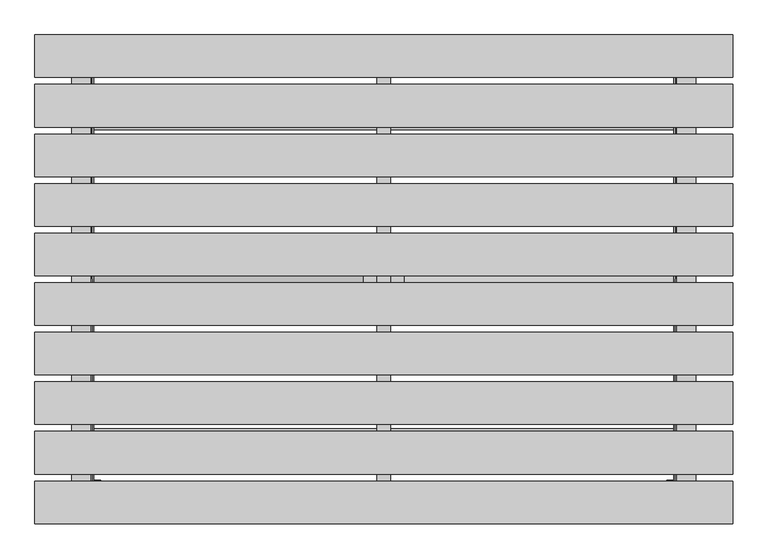
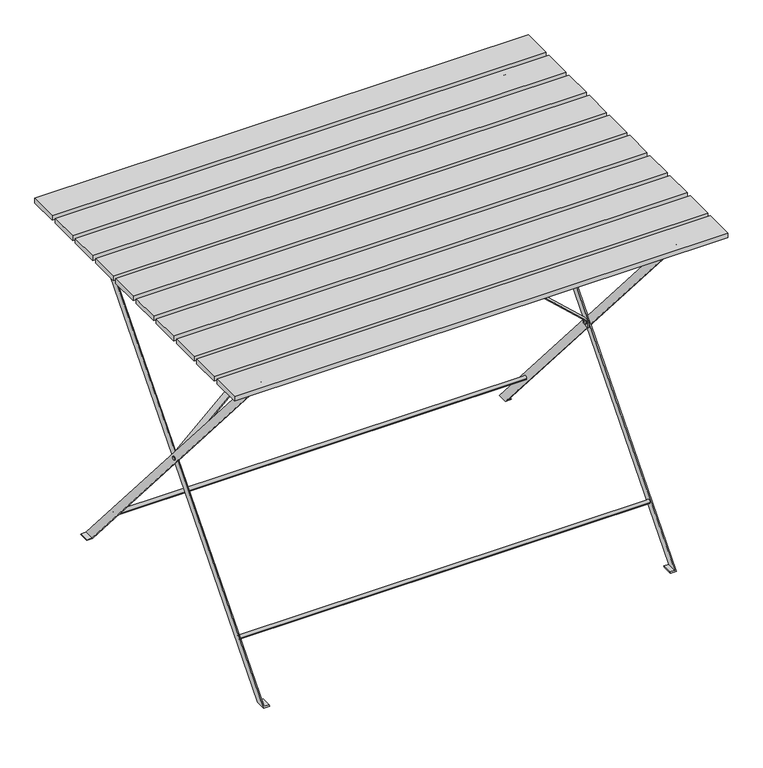
"""IFC4 building model written with IfcOpenShell, lengths in millimetres: furniture geometry."""

from ifc_helpers import new_model, si_unit, frame, origin, place, context, project, spatial, polyline, circle_curve, outline, extrude, source, transform, mapped, element, save
from ifc_brep_helpers import plane_surface, cylinder_surface, advanced_brep


def furniture_ef8ecb68(model_context):
    return source(origin(), model_context, "Body", "SolidModel", [
        extrude(outline(polyline([(500.0, -289.0), (500.0, -350.0), (-500.0, -350.0), (-500.0, -289.0), (500.0, -289.0)])), frame((0.0, 0.0, 710.0), z_axis=(0.0, 0.0, 1.0), x_axis=(1.0, 0.0, 0.0)), (0.0, 0.0, 1.0), 10.0),
        extrude(outline(polyline([(500.0, -218.0), (500.0, -279.0), (-500.0, -279.0), (-500.0, -218.0), (500.0, -218.0)])), frame((0.0, 0.0, 710.0), z_axis=(0.0, 0.0, 1.0), x_axis=(1.0, 0.0, 0.0)), (0.0, 0.0, 1.0), 10.0),
        extrude(outline(polyline([(500.0, -147.0), (500.0, -208.0), (-500.0, -208.0), (-500.0, -147.0), (500.0, -147.0)])), frame((0.0, 0.0, 710.0), z_axis=(0.0, 0.0, 1.0), x_axis=(1.0, 0.0, 0.0)), (0.0, 0.0, 1.0), 10.0),
        extrude(outline(polyline([(500.0, -76.0), (500.0, -137.0), (-500.0, -137.0), (-500.0, -76.0), (500.0, -76.0)])), frame((0.0, 0.0, 710.0), z_axis=(0.0, 0.0, 1.0), x_axis=(1.0, 0.0, 0.0)), (0.0, 0.0, 1.0), 10.0),
        extrude(outline(polyline([(500.0, -5.0), (500.0, -66.0), (-500.0, -66.0), (-500.0, -5.0), (500.0, -5.0)])), frame((0.0, 0.0, 710.0), z_axis=(0.0, 0.0, 1.0), x_axis=(1.0, 0.0, 0.0)), (0.0, 0.0, 1.0), 10.0),
        extrude(outline(polyline([(500.0, 66.0), (500.0, 5.0), (-500.0, 5.0), (-500.0, 66.0), (500.0, 66.0)])), frame((0.0, 0.0, 710.0), z_axis=(0.0, 0.0, 1.0), x_axis=(1.0, 0.0, 0.0)), (0.0, 0.0, 1.0), 10.0),
        extrude(outline(polyline([(500.0, 137.0), (500.0, 76.0), (-500.0, 76.0), (-500.0, 137.0), (500.0, 137.0)])), frame((0.0, 0.0, 710.0), z_axis=(0.0, 0.0, 1.0), x_axis=(1.0, 0.0, 0.0)), (0.0, 0.0, 1.0), 10.0),
        extrude(outline(polyline([(500.0, 208.0), (500.0, 147.0), (-500.0, 147.0), (-500.0, 208.0), (500.0, 208.0)])), frame((0.0, 0.0, 710.0), z_axis=(0.0, 0.0, 1.0), x_axis=(1.0, 0.0, 0.0)), (0.0, 0.0, 1.0), 10.0),
        extrude(outline(polyline([(500.0, 279.0), (500.0, 218.0), (-500.0, 218.0), (-500.0, 279.0), (500.0, 279.0)])), frame((0.0, 0.0, 710.0), z_axis=(0.0, 0.0, 1.0), x_axis=(1.0, 0.0, 0.0)), (0.0, 0.0, 1.0), 10.0),
        extrude(outline(polyline([(500.0, 350.0), (500.0, 289.0), (-500.0, 289.0), (-500.0, 350.0), (500.0, 350.0)])), frame((0.0, 0.0, 710.0), z_axis=(0.0, 0.0, 1.0), x_axis=(1.0, 0.0, 0.0)), (0.0, 0.0, 1.0), 10.0),
        advanced_brep(
        [(413.0, 3.5, 347.7584997), (413.0, -3.5, 347.7584997), (421.0, 3.5, 347.7584997), (421.0, -3.5, 347.7584997), (414.0182789, -3.5, 347.7584997), (414.0182789, 3.5, 347.7584997), (420.0, 3.5, 347.7584997), (420.0, -3.5, 347.7584997), (418.0, -306.0574859, 690.2914024), (418.0, -293.9425141, 700.7425964), (418.0, 0.0, 360.0059041), (418.0, -10.5654393, 347.7584997), (418.0, -296.5, 695.5169994), (418.0, -303.5, 695.5169994), (418.0, 310.5654393, 0.0), (418.0, 289.4345607, 0.0), (418.0, 0.0, 335.5110953), (418.0, 10.5654393, 347.7584997), (418.0, 222.2264292, 94.774403), (418.0, 214.255952, 94.774403), (420.0, -278.6512153, 683.0169994), (420.0, -299.782094, 683.0169994), (420.0, 287.7092254, 2.0), (420.0, 308.8401041, 2.0), (430.0, 289.4345607, 0.0), (430.0, 287.7092254, 2.0), (420.0, -306.0574859, 690.2914024), (430.0, 310.5654393, 0.0), (420.0, -293.9425141, 700.7425964), (430.0, 308.8401041, 2.0), (416.0, 293.9425141, 700.7425964), (416.0, 306.0574859, 690.2914024), (416.0, 8.0, 344.7846553), (416.0, 8.0, 352.7584997), (416.0, -6.2521012, 352.7584997), (416.0, 303.5, 695.5169994), (416.0, 296.5, 695.5169994), (416.0, -8.0, 350.7323441), (416.0, -8.0, 339.7584997), (416.0, 3.6640983, 339.7584997), (416.0, -287.7092254, 2.0), (416.0, -308.8401041, 2.0), (416.0, -214.255952, 94.774403), (416.0, -222.2264292, 94.774403), (418.0, 306.0574859, 690.2914024), (418.0, 293.9425141, 700.7425964), (418.0, 296.5, 695.5169994), (418.0, 303.5, 695.5169994), (418.0, -310.5654393, 0.0), (418.0, -289.4345607, 0.0), (406.0, -289.4345607, 0.0), (406.0, -287.7092254, 2.0), (406.0, -308.8401041, 2.0), (406.0, -310.5654393, 0.0), (-418.0, 289.4345607, 0.0), (-418.0, 310.5654393, 0.0), (-418.0, 10.5654393, 347.7584997), (-418.0, 0.0, 335.5110953), (-418.0, 214.255952, 94.774403), (-418.0, 222.2264292, 94.774403), (-418.0, -293.9425141, 700.7425964), (-418.0, -306.0574859, 690.2914024), (-418.0, -10.5654393, 347.7584997), (-418.0, 0.0, 360.0059041), (-418.0, -303.5, 695.5169994), (-418.0, -296.5, 695.5169994), (-420.0, -299.782094, 683.0169994), (-420.0, -278.6512153, 683.0169994), (-420.0, 308.8401041, 2.0), (-420.0, 287.7092254, 2.0), (-420.0, 3.5, 347.7584997), (-420.0, -3.5, 347.7584997), (-420.0, -306.0574859, 690.2914024), (-430.0, 287.7092254, 2.0), (-430.0, 289.4345607, 0.0), (-430.0, 310.5654393, 0.0), (-420.0, -293.9425141, 700.7425964), (-430.0, 308.8401041, 2.0), (-416.0, 306.0574859, 690.2914024), (-416.0, 293.9425141, 700.7425964), (-416.0, -6.2521012, 352.7584997), (-416.0, 8.0, 352.7584997), (-416.0, 8.0, 344.7846553), (-416.0, 296.5, 695.5169994), (-416.0, 303.5, 695.5169994), (-416.0, -8.0, 339.7584997), (-416.0, -8.0, 350.7323441), (-416.0, -308.8401041, 2.0), (-416.0, -287.7092254, 2.0), (-416.0, 3.6640983, 339.7584997), (-416.0, -222.2264292, 94.774403), (-416.0, -214.255952, 94.774403), (-418.0, -289.4345607, 0.0), (-418.0, -310.5654393, 0.0), (-418.0, 293.9425141, 700.7425964), (-418.0, 306.0574859, 690.2914024), (-418.0, 303.5, 695.5169994), (-418.0, 296.5, 695.5169994), (-406.0, -287.7092254, 2.0), (-406.0, -289.4345607, 0.0), (-406.0, -310.5654393, 0.0), (-406.0, -308.8401041, 2.0), (-30.0, -8.0, 708.0169994), (-416.0, -8.0, 352.7584997), (-414.0182789, -8.0, 339.7584997), (-414.0182789, -8.0, 351.917847), (-29.2779477, -8.0, 706.0169994), (29.2779477, -8.0, 706.0169994), (414.0182789, -8.0, 351.917847), (414.0182789, -8.0, 339.7584997), (416.0, -8.0, 352.7584997), (30.0, -8.0, 708.0169994), (10.0, -8.0, 708.0169994), (-10.0, -8.0, 708.0169994), (30.0, 8.0, 708.0169994), (416.0, 8.0, 339.7584997), (414.0182789, 8.0, 339.7584997), (414.0182789, 8.0, 351.917847), (29.2779477, 8.0, 706.0169994), (-29.2779477, 8.0, 706.0169994), (-414.0182789, 8.0, 351.917847), (-414.0182789, 8.0, 339.7584997), (-416.0, 8.0, 339.7584997), (-30.0, 8.0, 708.0169994), (-10.0, 8.0, 708.0169994), (10.0, 8.0, 708.0169994), (-414.0182789, -3.5, 347.7584997), (-414.0182789, 3.5, 347.7584997), (-3.5, 0.0, 706.0169994), (3.5, 0.0, 706.0169994), (-413.0, 3.5, 347.7584997), (-413.0, -3.5, 347.7584997), (-421.0, 3.5, 347.7584997), (-421.0, -3.5, 347.7584997), (-417.0, -296.5, 695.5169994), (-417.0, -303.5, 695.5169994), (-423.0, -296.5, 695.5169994), (-423.0, -303.5, 695.5169994), (-421.9538018, -303.5, 695.5169994), (-421.9538018, -296.5, 695.5169994), (-446.9538018, -330.0, 710.0), (-446.9538018, -330.0, 708.0169994), (-421.9538018, -330.0, 708.0169994), (-420.0, -330.0, 708.0169994), (-420.0, -330.0, 710.0), (446.9538018, -330.0, 710.0), (420.0, -330.0, 710.0), (420.0, -330.0, 708.0169994), (421.9538018, -330.0, 708.0169994), (446.9538018, -330.0, 708.0169994), (10.0, -330.0, 710.0), (-10.0, -330.0, 710.0), (-10.0, -330.0, 708.0169994), (10.0, -330.0, 708.0169994), (-446.9538018, 330.0, 710.0), (-420.0, 330.0, 710.0), (-420.0, 330.0, 708.0169994), (-421.9538018, 330.0, 708.0169994), (-446.9538018, 330.0, 708.0169994), (446.9538018, 330.0, 710.0), (446.9538018, 330.0, 708.0169994), (421.9538018, 330.0, 708.0169994), (420.0, 330.0, 708.0169994), (420.0, 330.0, 710.0), (10.0, 330.0, 710.0), (10.0, 330.0, 708.0169994), (-10.0, 330.0, 708.0169994), (-10.0, 330.0, 710.0), (-421.9538018, 305.0, 683.0169994), (-421.9538018, -305.0, 683.0169994), (-421.9538018, 303.5, 695.5169994), (-421.9538018, 296.5, 695.5169994), (-420.0, 305.0, 683.0169994), (-420.0, -305.0, 683.0169994), (-420.0, 296.5, 695.5169994), (-420.0, 303.5, 695.5169994), (420.0, 305.0, 683.0169994), (420.0, -305.0, 683.0169994), (420.0, 303.5, 695.5169994), (420.0, 296.5, 695.5169994), (421.9538018, 305.0, 683.0169994), (421.9538018, -305.0, 683.0169994), (421.9538018, -303.5, 695.5169994), (421.9538018, -296.5, 695.5169994), (421.9538018, 296.5, 695.5169994), (421.9538018, 303.5, 695.5169994), (417.0, -296.5, 695.5169994), (417.0, -303.5, 695.5169994), (423.0, -296.5, 695.5169994), (423.0, -303.5, 695.5169994), (415.0, 303.5, 695.5169994), (415.0, 296.5, 695.5169994), (423.0, 303.5, 695.5169994), (423.0, 296.5, 695.5169994), (-415.0, 303.5, 695.5169994), (-415.0, 296.5, 695.5169994), (-423.0, 303.5, 695.5169994), (-423.0, 296.5, 695.5169994), (-3.5, 0.0, 705.0), (3.5, 0.0, 705.0)],
        [
            (0, 1, circle_curve(frame((413.0, 0.0, 347.7584997), z_axis=(-1.0, 0.0, 0.0), x_axis=(0.0, -1.0, 0.0)), 3.5)),
            (1, 0, circle_curve(frame((413.0, 0.0, 347.7584997), z_axis=(-1.0, 0.0, 0.0), x_axis=(0.0, -1.0, 0.0)), 3.5)),
            (2, 3, circle_curve(frame((421.0, 0.0, 347.7584997), z_axis=(1.0, 0.0, 0.0), x_axis=(0.0, -1.0, 0.0)), 3.5)),
            (3, 2, circle_curve(frame((421.0, 0.0, 347.7584997), z_axis=(1.0, 0.0, 0.0), x_axis=(0.0, -1.0, 0.0)), 3.5)),
            (1, 4),
            (4, 5, circle_curve(frame((414.0182789, 0.0, 347.7584997), z_axis=(-1.0, 0.0, 0.0), x_axis=(0.0, -1.0, 0.0)), 3.5)),
            (5, 0),
            (2, 6),
            (6, 7, circle_curve(frame((420.0, 0.0, 347.7584997), z_axis=(1.0, 0.0, 0.0), x_axis=(0.0, -1.0, 0.0)), 3.5)),
            (7, 3),
            (5, 4, circle_curve(frame((414.0182789, 0.0, 347.7584997), z_axis=(-1.0, 0.0, 0.0), x_axis=(0.0, -1.0, 0.0)), 3.5)),
            (7, 6, circle_curve(frame((420.0, 0.0, 347.7584997), z_axis=(1.0, 0.0, 0.0), x_axis=(0.0, -1.0, 0.0)), 3.5)),
            (8, 9, circle_curve(frame((418.0, -300.0, 695.5169994), z_axis=(-1.0, 0.0, 0.0), x_axis=(0.0, -1.0, 0.0)), 8.0)),
            (9, 10),
            (10, 11),
            (11, 8),
            (12, 13, circle_curve(frame((418.0, -300.0, 695.5169994), z_axis=(1.0, 0.0, 0.0), x_axis=(0.0, -1.0, 0.0)), 3.5)),
            (13, 12, circle_curve(frame((418.0, -300.0, 695.5169994), z_axis=(1.0, 0.0, 0.0), x_axis=(0.0, -1.0, 0.0)), 3.5)),
            (14, 15),
            (15, 16),
            (16, 17),
            (17, 14),
            (18, 19, circle_curve(frame((418.0, 218.2411906, 94.774403), z_axis=(1.0, 0.0, 0.0), x_axis=(0.0, -1.0, 0.0)), 3.9852386)),
            (19, 18, circle_curve(frame((418.0, 218.2411906, 94.774403), z_axis=(1.0, 0.0, 0.0), x_axis=(0.0, -1.0, 0.0)), 3.9852386)),
            (20, 21),
            (21, 22),
            (22, 23),
            (23, 20),
            (24, 25),
            (25, 22),
            (21, 26),
            (26, 8),
            (11, 16),
            (15, 24),
            (14, 27),
            (27, 24),
            (17, 10),
            (9, 28),
            (28, 20),
            (23, 29),
            (29, 27),
            (26, 28, circle_curve(frame((420.0, -300.0, 695.5169994), z_axis=(-1.0, 0.0, 0.0), x_axis=(0.0, -1.0, 0.0)), 8.0)),
            (30, 31, circle_curve(frame((416.0, 300.0, 695.5169994), z_axis=(-1.0, 0.0, 0.0), x_axis=(0.0, -1.0, 0.0)), 8.0)),
            (31, 32),
            (32, 33),
            (33, 34),
            (34, 30),
            (35, 36, circle_curve(frame((416.0, 300.0, 695.5169994), z_axis=(1.0, 0.0, 0.0), x_axis=(0.0, -1.0, 0.0)), 3.5)),
            (36, 35, circle_curve(frame((416.0, 300.0, 695.5169994), z_axis=(1.0, 0.0, 0.0), x_axis=(0.0, -1.0, 0.0)), 3.5)),
            (37, 38),
            (38, 39),
            (39, 40),
            (40, 41),
            (41, 37),
            (42, 43, circle_curve(frame((416.0, -218.2411906, 94.774403), z_axis=(1.0, 0.0, 0.0), x_axis=(0.0, 1.0, 0.0)), 3.9852386)),
            (43, 42, circle_curve(frame((416.0, -218.2411906, 94.774403), z_axis=(1.0, 0.0, 0.0), x_axis=(0.0, 1.0, 0.0)), 3.9852386)),
            (44, 45, circle_curve(frame((418.0, 300.0, 695.5169994), z_axis=(1.0, 0.0, 0.0), x_axis=(0.0, -1.0, 0.0)), 8.0)),
            (45, 10),
            (17, 44),
            (46, 47, circle_curve(frame((418.0, 300.0, 695.5169994), z_axis=(-1.0, 0.0, 0.0), x_axis=(0.0, -1.0, 0.0)), 3.5)),
            (47, 46, circle_curve(frame((418.0, 300.0, 695.5169994), z_axis=(-1.0, 0.0, 0.0), x_axis=(0.0, -1.0, 0.0)), 3.5)),
            (48, 49),
            (49, 16),
            (11, 48),
            (31, 44),
            (49, 50),
            (50, 51),
            (51, 40),
            (39, 32),
            (30, 45),
            (34, 37),
            (41, 52),
            (52, 53),
            (53, 48),
            (53, 50),
            (54, 55),
            (55, 56),
            (56, 57),
            (57, 54),
            (58, 59, circle_curve(frame((-418.0, 218.2411906, 94.774403), z_axis=(-1.0, 0.0, 0.0), x_axis=(0.0, -1.0, 0.0)), 3.9852386)),
            (59, 58, circle_curve(frame((-418.0, 218.2411906, 94.774403), z_axis=(-1.0, 0.0, 0.0), x_axis=(0.0, -1.0, 0.0)), 3.9852386)),
            (60, 61, circle_curve(frame((-418.0, -300.0, 695.5169994), z_axis=(1.0, 0.0, 0.0), x_axis=(0.0, -1.0, 0.0)), 8.0)),
            (61, 62),
            (62, 63),
            (63, 60),
            (64, 65, circle_curve(frame((-418.0, -300.0, 695.5169994), z_axis=(-1.0, 0.0, 0.0), x_axis=(0.0, -1.0, 0.0)), 3.5)),
            (65, 64, circle_curve(frame((-418.0, -300.0, 695.5169994), z_axis=(-1.0, 0.0, 0.0), x_axis=(0.0, -1.0, 0.0)), 3.5)),
            (66, 67),
            (67, 68),
            (68, 69),
            (69, 66),
            (70, 71, circle_curve(frame((-420.0, 0.0, 347.7584997), z_axis=(1.0, 0.0, 0.0), x_axis=(0.0, -1.0, 0.0)), 3.5)),
            (71, 70, circle_curve(frame((-420.0, 0.0, 347.7584997), z_axis=(1.0, 0.0, 0.0), x_axis=(0.0, -1.0, 0.0)), 3.5)),
            (61, 72),
            (72, 66),
            (69, 73),
            (73, 74),
            (74, 54),
            (57, 62),
            (74, 75),
            (75, 55),
            (76, 60),
            (63, 56),
            (75, 77),
            (77, 68),
            (67, 76),
            (76, 72, circle_curve(frame((-420.0, -300.0, 695.5169994), z_axis=(1.0, 0.0, 0.0), x_axis=(0.0, -1.0, 0.0)), 8.0)),
            (78, 79, circle_curve(frame((-416.0, 300.0, 695.5169994), z_axis=(1.0, 0.0, 0.0), x_axis=(0.0, -1.0, 0.0)), 8.0)),
            (79, 80),
            (80, 81),
            (81, 82),
            (82, 78),
            (83, 84, circle_curve(frame((-416.0, 300.0, 695.5169994), z_axis=(-1.0, 0.0, 0.0), x_axis=(0.0, -1.0, 0.0)), 3.5)),
            (84, 83, circle_curve(frame((-416.0, 300.0, 695.5169994), z_axis=(-1.0, 0.0, 0.0), x_axis=(0.0, -1.0, 0.0)), 3.5)),
            (85, 86),
            (86, 87),
            (87, 88),
            (88, 89),
            (89, 85),
            (90, 91, circle_curve(frame((-416.0, -218.2411906, 94.774403), z_axis=(-1.0, 0.0, 0.0), x_axis=(0.0, 1.0, 0.0)), 3.9852386)),
            (91, 90, circle_curve(frame((-416.0, -218.2411906, 94.774403), z_axis=(-1.0, 0.0, 0.0), x_axis=(0.0, 1.0, 0.0)), 3.9852386)),
            (92, 93),
            (93, 62),
            (57, 92),
            (94, 95, circle_curve(frame((-418.0, 300.0, 695.5169994), z_axis=(-1.0, 0.0, 0.0), x_axis=(0.0, -1.0, 0.0)), 8.0)),
            (95, 56),
            (63, 94),
            (96, 97, circle_curve(frame((-418.0, 300.0, 695.5169994), z_axis=(1.0, 0.0, 0.0), x_axis=(0.0, -1.0, 0.0)), 3.5)),
            (97, 96, circle_curve(frame((-418.0, 300.0, 695.5169994), z_axis=(1.0, 0.0, 0.0), x_axis=(0.0, -1.0, 0.0)), 3.5)),
            (95, 78),
            (82, 89),
            (88, 98),
            (98, 99),
            (99, 92),
            (94, 79),
            (93, 100),
            (100, 101),
            (101, 87),
            (86, 80),
            (99, 100),
            (102, 103),
            (103, 86),
            (85, 104),
            (104, 105),
            (105, 106),
            (106, 107),
            (107, 108),
            (108, 109),
            (109, 38),
            (37, 110),
            (110, 111),
            (111, 112),
            (112, 113),
            (113, 102),
            (114, 33),
            (32, 115),
            (115, 116),
            (116, 117),
            (117, 118),
            (118, 119),
            (119, 120),
            (120, 121),
            (121, 122),
            (122, 82),
            (81, 123),
            (123, 124),
            (124, 125),
            (125, 114),
            (102, 123),
            (80, 103),
            (122, 89),
            (121, 104),
            (120, 105),
            (126, 127, circle_curve(frame((-414.0182789, 0.0, 347.7584997), z_axis=(-1.0, 0.0, 0.0), x_axis=(0.0, -1.0, 0.0)), 3.5)),
            (127, 126, circle_curve(frame((-414.0182789, 0.0, 347.7584997), z_axis=(-1.0, 0.0, 0.0), x_axis=(0.0, -1.0, 0.0)), 3.5)),
            (119, 106),
            (118, 107),
            (128, 129, circle_curve(frame((0.0, 0.0, 706.0169994), z_axis=(0.0, 0.0, 1.0), x_axis=(1.0, 0.0, 0.0)), 3.5)),
            (129, 128, circle_curve(frame((0.0, 0.0, 706.0169994), z_axis=(0.0, 0.0, 1.0), x_axis=(1.0, 0.0, 0.0)), 3.5)),
            (117, 108),
            (116, 109),
            (115, 39),
            (34, 110),
            (114, 111),
            (113, 124),
            (125, 112),
            (130, 131, circle_curve(frame((-413.0, 0.0, 347.7584997), z_axis=(1.0, 0.0, 0.0), x_axis=(0.0, -1.0, 0.0)), 3.5)),
            (131, 130, circle_curve(frame((-413.0, 0.0, 347.7584997), z_axis=(1.0, 0.0, 0.0), x_axis=(0.0, -1.0, 0.0)), 3.5)),
            (132, 133, circle_curve(frame((-421.0, 0.0, 347.7584997), z_axis=(-1.0, 0.0, 0.0), x_axis=(0.0, -1.0, 0.0)), 3.5)),
            (133, 132, circle_curve(frame((-421.0, 0.0, 347.7584997), z_axis=(-1.0, 0.0, 0.0), x_axis=(0.0, -1.0, 0.0)), 3.5)),
            (130, 127),
            (126, 131),
            (133, 71),
            (70, 132),
            (134, 135, circle_curve(frame((-417.0, -300.0, 695.5169994), z_axis=(1.0, 0.0, 0.0), x_axis=(0.0, -1.0, 0.0)), 3.5)),
            (135, 134, circle_curve(frame((-417.0, -300.0, 695.5169994), z_axis=(1.0, 0.0, 0.0), x_axis=(0.0, -1.0, 0.0)), 3.5)),
            (136, 137, circle_curve(frame((-423.0, -300.0, 695.5169994), z_axis=(-1.0, 0.0, 0.0), x_axis=(0.0, -1.0, 0.0)), 3.5)),
            (137, 136, circle_curve(frame((-423.0, -300.0, 695.5169994), z_axis=(-1.0, 0.0, 0.0), x_axis=(0.0, -1.0, 0.0)), 3.5)),
            (134, 65),
            (64, 135),
            (137, 138),
            (138, 139, circle_curve(frame((-421.9538018, -300.0, 695.5169994), z_axis=(-1.0, 0.0, 0.0), x_axis=(0.0, -1.0, 0.0)), 3.5)),
            (139, 136),
            (139, 138, circle_curve(frame((-421.9538018, -300.0, 695.5169994), z_axis=(-1.0, 0.0, 0.0), x_axis=(0.0, -1.0, 0.0)), 3.5)),
            (140, 141),
            (141, 142),
            (142, 143),
            (143, 144),
            (144, 140),
            (145, 146),
            (146, 147),
            (147, 148),
            (148, 149),
            (149, 145),
            (150, 151),
            (151, 152),
            (152, 153),
            (153, 150),
            (154, 155),
            (155, 156),
            (156, 157),
            (157, 158),
            (158, 154),
            (159, 160),
            (160, 161),
            (161, 162),
            (162, 163),
            (163, 159),
            (164, 165),
            (165, 166),
            (166, 167),
            (167, 164),
            (140, 154),
            (158, 141),
            (157, 142),
            (157, 168),
            (168, 169),
            (169, 142),
            (170, 171, circle_curve(frame((-421.9538018, 300.0, 695.5169994), z_axis=(1.0, 0.0, 0.0), x_axis=(0.0, -1.0, 0.0)), 3.5)),
            (171, 170, circle_curve(frame((-421.9538018, 300.0, 695.5169994), z_axis=(1.0, 0.0, 0.0), x_axis=(0.0, -1.0, 0.0)), 3.5)),
            (168, 172),
            (172, 67),
            (66, 173),
            (173, 169),
            (155, 144),
            (143, 173),
            (172, 156),
            (174, 175, circle_curve(frame((-420.0, 300.0, 695.5169994), z_axis=(-1.0, 0.0, 0.0), x_axis=(0.0, -1.0, 0.0)), 3.5)),
            (175, 174, circle_curve(frame((-420.0, 300.0, 695.5169994), z_axis=(-1.0, 0.0, 0.0), x_axis=(0.0, -1.0, 0.0)), 3.5)),
            (145, 159),
            (163, 146),
            (162, 176),
            (176, 20),
            (21, 177),
            (177, 147),
            (178, 179, circle_curve(frame((420.0, 300.0, 695.5169994), z_axis=(1.0, 0.0, 0.0), x_axis=(0.0, -1.0, 0.0)), 3.5)),
            (179, 178, circle_curve(frame((420.0, 300.0, 695.5169994), z_axis=(1.0, 0.0, 0.0), x_axis=(0.0, -1.0, 0.0)), 3.5)),
            (180, 181),
            (181, 177),
            (176, 180),
            (161, 148),
            (148, 181),
            (180, 161),
            (182, 183, circle_curve(frame((421.9538018, -300.0, 695.5169994), z_axis=(-1.0, 0.0, 0.0), x_axis=(0.0, -1.0, 0.0)), 3.5)),
            (183, 182, circle_curve(frame((421.9538018, -300.0, 695.5169994), z_axis=(-1.0, 0.0, 0.0), x_axis=(0.0, -1.0, 0.0)), 3.5)),
            (184, 185, circle_curve(frame((421.9538018, 300.0, 695.5169994), z_axis=(-1.0, 0.0, 0.0), x_axis=(0.0, -1.0, 0.0)), 3.5)),
            (185, 184, circle_curve(frame((421.9538018, 300.0, 695.5169994), z_axis=(-1.0, 0.0, 0.0), x_axis=(0.0, -1.0, 0.0)), 3.5)),
            (160, 149),
            (150, 164),
            (167, 151),
            (166, 124),
            (113, 152),
            (112, 153),
            (165, 125),
            (186, 187, circle_curve(frame((417.0, -300.0, 695.5169994), z_axis=(-1.0, 0.0, 0.0), x_axis=(0.0, -1.0, 0.0)), 3.5)),
            (187, 186, circle_curve(frame((417.0, -300.0, 695.5169994), z_axis=(-1.0, 0.0, 0.0), x_axis=(0.0, -1.0, 0.0)), 3.5)),
            (188, 189, circle_curve(frame((423.0, -300.0, 695.5169994), z_axis=(1.0, 0.0, 0.0), x_axis=(0.0, -1.0, 0.0)), 3.5)),
            (189, 188, circle_curve(frame((423.0, -300.0, 695.5169994), z_axis=(1.0, 0.0, 0.0), x_axis=(0.0, -1.0, 0.0)), 3.5)),
            (187, 13),
            (12, 186),
            (188, 183),
            (182, 189),
            (190, 191, circle_curve(frame((415.0, 300.0, 695.5169994), z_axis=(-1.0, 0.0, 0.0), x_axis=(0.0, -1.0, 0.0)), 3.5)),
            (191, 190, circle_curve(frame((415.0, 300.0, 695.5169994), z_axis=(-1.0, 0.0, 0.0), x_axis=(0.0, -1.0, 0.0)), 3.5)),
            (192, 193, circle_curve(frame((423.0, 300.0, 695.5169994), z_axis=(1.0, 0.0, 0.0), x_axis=(0.0, -1.0, 0.0)), 3.5)),
            (193, 192, circle_curve(frame((423.0, 300.0, 695.5169994), z_axis=(1.0, 0.0, 0.0), x_axis=(0.0, -1.0, 0.0)), 3.5)),
            (191, 36),
            (35, 190),
            (192, 185),
            (184, 193),
            (46, 179),
            (178, 47),
            (194, 195, circle_curve(frame((-415.0, 300.0, 695.5169994), z_axis=(1.0, 0.0, 0.0), x_axis=(0.0, -1.0, 0.0)), 3.5)),
            (195, 194, circle_curve(frame((-415.0, 300.0, 695.5169994), z_axis=(1.0, 0.0, 0.0), x_axis=(0.0, -1.0, 0.0)), 3.5)),
            (196, 197, circle_curve(frame((-423.0, 300.0, 695.5169994), z_axis=(-1.0, 0.0, 0.0), x_axis=(0.0, -1.0, 0.0)), 3.5)),
            (197, 196, circle_curve(frame((-423.0, 300.0, 695.5169994), z_axis=(-1.0, 0.0, 0.0), x_axis=(0.0, -1.0, 0.0)), 3.5)),
            (194, 84),
            (83, 195),
            (197, 171),
            (170, 196),
            (96, 175),
            (174, 97),
            (198, 199, circle_curve(frame((0.0, 0.0, 705.0), z_axis=(0.0, 0.0, -1.0), x_axis=(1.0, 0.0, 0.0)), 3.5)),
            (199, 198, circle_curve(frame((0.0, 0.0, 705.0), z_axis=(0.0, 0.0, -1.0), x_axis=(1.0, 0.0, 0.0)), 3.5)),
            (199, 129),
            (128, 198),
            (18, 59),
            (58, 19),
            (42, 91),
            (90, 43),
            (73, 77),
            (98, 101),
            (52, 51),
            (29, 25),
        ],
        [
            plane_surface(frame((413.0, -3.5, 347.7584997), z_axis=(-1.0, 0.0, 0.0), x_axis=(0.0, 0.0, 1.0))),
            plane_surface(frame((421.0, -3.5, 347.7584997), z_axis=(1.0, 0.0, 0.0), x_axis=(0.0, 0.0, -1.0))),
            cylinder_surface(frame((421.0, 0.0, 347.7584997), z_axis=(-1.0, 0.0, 0.0), x_axis=(0.0, -1.0, 0.0)), 3.5),
            plane_surface(frame((418.0, -308.0, 695.5169994), z_axis=(-1.0, 0.0, 0.0), x_axis=(0.0, 0.0, 1.0))),
            plane_surface(frame((420.0, -308.0, 695.5169994), z_axis=(1.0, 0.0, 0.0), x_axis=(0.0, 0.0, -1.0))),
            plane_surface(frame((418.0, 289.4345607, 0.0), z_axis=(0.0, -0.7571857413295587, -0.6531996273171065), x_axis=(1.0, 0.0, 0.0))),
            plane_surface(frame((418.0, 310.5654393, 0.0), z_axis=(0.0, 0.0, -1.0), x_axis=(1.0, 0.0, 0.0))),
            plane_surface(frame((418.0, -293.9425141, 700.7425964), z_axis=(0.0, 0.7571857413295587, 0.6531996273171065), x_axis=(1.0, 0.0, 0.0))),
            cylinder_surface(frame((420.0, -300.0, 695.5169994), z_axis=(-1.0, 0.0, 0.0), x_axis=(0.0, -1.0, 0.0)), 8.0),
            plane_surface(frame((416.0, -280.0, 0.0), z_axis=(-1.0, 0.0, 0.0), x_axis=(0.0, -1.0, 0.0))),
            plane_surface(frame((418.0, -280.0, 0.0), z_axis=(1.0, 0.0, 0.0), x_axis=(0.0, 1.0, 0.0))),
            plane_surface(frame((416.0, 306.0574859, 690.2914024), z_axis=(0.0, 0.7571857413295594, -0.6531996273171056), x_axis=(1.0, 0.0, 0.0))),
            cylinder_surface(frame((418.0, 300.0, 695.5169994), z_axis=(-1.0, 0.0, 0.0), x_axis=(0.0, -1.0, 0.0)), 8.0),
            plane_surface(frame((416.0, -310.5654393, 0.0), z_axis=(0.0, -0.7571857413295595, 0.6531996273171056), x_axis=(1.0, 0.0, 0.0))),
            plane_surface(frame((416.0, -289.4345607, 0.0), z_axis=(0.0, 0.0, -1.0), x_axis=(1.0, 0.0, 0.0))),
            plane_surface(frame((-418.0, 293.9425141, -5.225597), z_axis=(1.0000000000000002, 0.0, 0.0), x_axis=(0.0, 0.6531996273171065, -0.7571857413295587))),
            plane_surface(frame((-420.0, 293.9425141, -5.225597), z_axis=(-1.0000000000000002, 0.0, 0.0), x_axis=(0.0, -0.6531996273171065, 0.7571857413295587))),
            plane_surface(frame((-418.0, -306.0574859, 690.2914024), z_axis=(0.0, -0.7571857413295587, -0.6531996273171065), x_axis=(-1.0, 0.0, 0.0))),
            plane_surface(frame((-418.0, 289.4345607, 0.0), z_axis=(0.0, 0.0, -1.0), x_axis=(-1.0, 0.0, 0.0))),
            plane_surface(frame((-418.0, 310.5654393, 0.0), z_axis=(0.0, 0.7571857413295587, 0.6531996273171065), x_axis=(-1.0, 0.0, 0.0))),
            cylinder_surface(frame((-420.0, -300.0, 695.5169994), z_axis=(1.0, 0.0, 0.0), x_axis=(0.0, -1.0, 0.0)), 8.0),
            plane_surface(frame((-416.0, 306.0574859, 690.2914024), z_axis=(1.0, 0.0, 0.0), x_axis=(0.0, 0.6531996273171056, 0.7571857413295594))),
            plane_surface(frame((-418.0, 306.0574859, 690.2914024), z_axis=(-1.0, 0.0, 0.0), x_axis=(0.0, -0.6531996273171056, -0.7571857413295594))),
            plane_surface(frame((-416.0, -289.4345607, 0.0), z_axis=(0.0, 0.7571857413295594, -0.6531996273171056), x_axis=(-1.0, 0.0, 0.0))),
            cylinder_surface(frame((-418.0, 300.0, 695.5169994), z_axis=(1.0, 0.0, 0.0), x_axis=(0.0, -1.0, 0.0)), 8.0),
            plane_surface(frame((-416.0, 293.9425141, 700.7425964), z_axis=(0.0, -0.7571857413295595, 0.6531996273171056), x_axis=(-1.0, 0.0, 0.0))),
            plane_surface(frame((-416.0, -310.5654393, 0.0), z_axis=(0.0, 0.0, -1.0), x_axis=(-1.0, 0.0, 0.0))),
            plane_surface(frame((-416.0, -8.0, 352.7584997), z_axis=(0.0, -1.0000000000000002, 0.0), x_axis=(-0.7357994502449576, 0.0, -0.6771995045916811))),
            plane_surface(frame((-416.0, 8.0, 352.7584997), z_axis=(0.0, 1.0000000000000002, 0.0), x_axis=(0.7357994502449576, 0.0, 0.6771995045916811))),
            plane_surface(frame((-30.0, -8.0, 708.0169994), z_axis=(-0.6771995045916811, 0.0, 0.7357994502449576), x_axis=(0.0, 1.0, 0.0))),
            plane_surface(frame((-416.0, -8.0, 352.7584997), z_axis=(-1.0, 0.0, 0.0), x_axis=(0.0, 1.0, 0.0))),
            plane_surface(frame((-416.0, -8.0, 339.7584997), z_axis=(0.0, 0.0, -1.0), x_axis=(0.0, 1.0, 0.0))),
            plane_surface(frame((-414.0182789, -8.0, 339.7584997), z_axis=(1.0, 0.0, 0.0), x_axis=(0.0, 1.0, 0.0))),
            plane_surface(frame((-414.0182789, -8.0, 351.917847), z_axis=(0.6771995045916811, 0.0, -0.7357994502449575), x_axis=(0.0, 1.0, 0.0))),
            plane_surface(frame((-29.2779477, -8.0, 706.0169994), z_axis=(0.0, 0.0, -1.0), x_axis=(0.0, 1.0, 0.0))),
            plane_surface(frame((29.2779477, -8.0, 706.0169994), z_axis=(-0.6771995045916811, 0.0, -0.7357994502449575), x_axis=(0.0, 1.0, 0.0))),
            plane_surface(frame((414.0182789, -8.0, 351.917847), z_axis=(-1.0, 0.0, 0.0), x_axis=(0.0, 1.0, 0.0))),
            plane_surface(frame((414.0182789, -8.0, 339.7584997), z_axis=(0.0, 0.0, -1.0), x_axis=(0.0, 1.0, 0.0))),
            plane_surface(frame((416.0, -8.0, 339.7584997), z_axis=(1.0, 0.0, 0.0), x_axis=(0.0, 1.0, 0.0))),
            plane_surface(frame((416.0, -8.0, 352.7584997), z_axis=(0.6771995045916811, 0.0, 0.7357994502449575), x_axis=(0.0, 1.0, 0.0))),
            plane_surface(frame((30.0, -8.0, 708.0169994), z_axis=(0.0, 0.0, 1.0), x_axis=(0.0, 1.0, 0.0))),
            plane_surface(frame((-413.0, -3.5, 347.7584997), z_axis=(1.0, 0.0, 0.0), x_axis=(0.0, 0.0, -1.0))),
            plane_surface(frame((-421.0, -3.5, 347.7584997), z_axis=(-1.0, 0.0, 0.0), x_axis=(0.0, 0.0, 1.0))),
            cylinder_surface(frame((-421.0, 0.0, 347.7584997), z_axis=(1.0, 0.0, 0.0), x_axis=(0.0, -1.0, 0.0)), 3.5),
            plane_surface(frame((-417.0, -303.5, 695.5169994), z_axis=(1.0, 0.0, 0.0), x_axis=(0.0, 0.0, -1.0))),
            plane_surface(frame((-423.0, -303.5, 695.5169994), z_axis=(-1.0, 0.0, 0.0), x_axis=(0.0, 0.0, 1.0))),
            cylinder_surface(frame((-423.0, -300.0, 695.5169994), z_axis=(1.0, 0.0, 0.0), x_axis=(0.0, -1.0, 0.0)), 3.5),
            plane_surface(frame((-446.9538018, -330.0, 710.0), z_axis=(0.0, -1.0, 0.0), x_axis=(0.0, 0.0, -1.0))),
            plane_surface(frame((-446.9538018, 330.0, 710.0), z_axis=(0.0, 1.0, 0.0), x_axis=(0.0, 0.0, 1.0))),
            plane_surface(frame((-446.9538018, -330.0, 710.0), z_axis=(-1.0, 0.0, 0.0), x_axis=(0.0, 1.0, 0.0))),
            plane_surface(frame((-446.9538018, -330.0, 708.0169994), z_axis=(0.0, 0.0, -1.0), x_axis=(0.0, 1.0, 0.0))),
            plane_surface(frame((-421.9538018, -330.0, 708.0169994), z_axis=(-1.0, 0.0, 0.0), x_axis=(0.0, 1.0, 0.0))),
            plane_surface(frame((-421.9538018, -330.0, 683.0169994), z_axis=(0.0, 0.0, -1.0), x_axis=(0.0, 1.0, 0.0))),
            plane_surface(frame((-420.0, -330.0, 683.0169994), z_axis=(1.0, 0.0, 0.0), x_axis=(0.0, 1.0, 0.0))),
            plane_surface(frame((-420.0, -330.0, 710.0), z_axis=(0.0, 0.0, 1.0), x_axis=(0.0, 1.0, 0.0))),
            plane_surface(frame((446.9538018, -330.0, 710.0), z_axis=(0.0, 0.0, 1.0), x_axis=(0.0, 1.0, 0.0))),
            plane_surface(frame((420.0, -330.0, 710.0), z_axis=(-1.0, 0.0, 0.0), x_axis=(0.0, 1.0, 0.0))),
            plane_surface(frame((420.0, -330.0, 683.0169994), z_axis=(0.0, 0.0, -1.0), x_axis=(0.0, 1.0, 0.0))),
            plane_surface(frame((421.9538018, -330.0, 683.0169994), z_axis=(1.0, 0.0, 0.0), x_axis=(0.0, 1.0, 0.0))),
            plane_surface(frame((421.9538018, -330.0, 708.0169994), z_axis=(0.0, 0.0, -1.0), x_axis=(0.0, 1.0, 0.0))),
            plane_surface(frame((446.9538018, -330.0, 708.0169994), z_axis=(1.0, 0.0, 0.0), x_axis=(0.0, 1.0, 0.0))),
            plane_surface(frame((10.0, -330.0, 710.0), z_axis=(0.0, 0.0, 1.0), x_axis=(0.0, 1.0, 0.0))),
            plane_surface(frame((-10.0, -330.0, 710.0), z_axis=(-1.0, 0.0, 0.0), x_axis=(0.0, 1.0, 0.0))),
            plane_surface(frame((-10.0, -330.0, 708.0169994), z_axis=(0.0, 0.0, -1.0), x_axis=(0.0, 1.0, 0.0))),
            plane_surface(frame((10.0, -330.0, 708.0169994), z_axis=(1.0, 0.0, 0.0), x_axis=(0.0, 1.0, 0.0))),
            plane_surface(frame((-500.0, 305.0, 683.0169994), z_axis=(0.0, 0.7071067811865495, -0.7071067811865456), x_axis=(1.0, 0.0, 0.0))),
            plane_surface(frame((-500.0, -330.0, 708.0169994), z_axis=(0.0, -0.7071067811865495, -0.7071067811865456), x_axis=(1.0, 0.0, 0.0))),
            plane_surface(frame((417.0, -303.5, 695.5169994), z_axis=(-1.0, 0.0, 0.0), x_axis=(0.0, 0.0, 1.0))),
            plane_surface(frame((423.0, -303.5, 695.5169994), z_axis=(1.0, 0.0, 0.0), x_axis=(0.0, 0.0, -1.0))),
            cylinder_surface(frame((423.0, -300.0, 695.5169994), z_axis=(-1.0, 0.0, 0.0), x_axis=(0.0, -1.0, 0.0)), 3.5),
            plane_surface(frame((415.0, 296.5, 695.5169994), z_axis=(-1.0, 0.0, 0.0), x_axis=(0.0, 0.0, 1.0))),
            plane_surface(frame((423.0, 296.5, 695.5169994), z_axis=(1.0, 0.0, 0.0), x_axis=(0.0, 0.0, -1.0))),
            cylinder_surface(frame((423.0, 300.0, 695.5169994), z_axis=(-1.0, 0.0, 0.0), x_axis=(0.0, -1.0, 0.0)), 3.5),
            plane_surface(frame((-415.0, 296.5, 695.5169994), z_axis=(1.0, 0.0, 0.0), x_axis=(0.0, 0.0, -1.0))),
            plane_surface(frame((-423.0, 296.5, 695.5169994), z_axis=(-1.0, 0.0, 0.0), x_axis=(0.0, 0.0, 1.0))),
            cylinder_surface(frame((-423.0, 300.0, 695.5169994), z_axis=(1.0, 0.0, 0.0), x_axis=(0.0, -1.0, 0.0)), 3.5),
            plane_surface(frame((3.5, 0.0, 705.0), z_axis=(0.0, 0.0, -1.0), x_axis=(0.0, -1.0, 0.0))),
            cylinder_surface(frame((0.0, 0.0, 705.0), z_axis=(0.0, 0.0, 1.0), x_axis=(1.0, 0.0, 0.0)), 3.5),
            cylinder_surface(frame((-420.0, 218.2411906, 94.774403), z_axis=(1.0, 0.0, 0.0), x_axis=(0.0, -1.0, 0.0)), 3.9852386),
            cylinder_surface(frame((-418.0, -218.2411906, 94.774403), z_axis=(1.0, 0.0, 0.0), x_axis=(0.0, 1.0, 0.0)), 3.9852386),
            plane_surface(frame((-430.0, 289.4345607, 0.0), z_axis=(-1.0, 0.0, 0.0), x_axis=(0.0, -1.0, 0.0))),
            plane_surface(frame((-420.0, 308.8401041, 2.0), z_axis=(0.0, 0.0, 1.0), x_axis=(-1.0, 0.0, 0.0))),
            plane_surface(frame((-406.0, -264.1507271, 2.0), z_axis=(1.0, 0.0, 0.0), x_axis=(0.0, -1.0, 0.0))),
            plane_surface(frame((-406.0, -287.7092254, 2.0), z_axis=(0.0, 0.0, 1.0), x_axis=(-1.0, 0.0, 0.0))),
            plane_surface(frame((406.0, -289.4345607, 0.0), z_axis=(-1.0, 0.0, 0.0), x_axis=(0.0, -0.6531996273171083, -0.7571857413295571))),
            plane_surface(frame((406.0, -308.8401041, 2.0), z_axis=(0.0, 0.0, 1.0), x_axis=(1.0, 0.0, 0.0))),
            plane_surface(frame((430.0, -306.0574859, 690.2914024), z_axis=(1.0000000000000002, 0.0, 0.0), x_axis=(0.0, 0.653199627317112, -0.757185741329554))),
            plane_surface(frame((420.0, 287.7092254, 2.0), z_axis=(0.0, 0.0, 1.0), x_axis=(1.0, 0.0, 0.0))),
        ],
        [
            (0, [[1, 2]]),
            (1, [[3, 4]]),
            (2, [[-2, 5, 6, 7]]),
            (2, [[-3, 8, 9, 10]]),
            (2, [[-1, -7, 11, -5]]),
            (2, [[-4, -10, 12, -8]]),
            (3, [[13, 14, 15, 16], [17, 18]]),
            (3, [[19, 20, 21, 22], [23, 24]]),
            (4, [[25, 26, 27, 28], [-9, -12]]),
            (5, [[29, 30, -26, 31, 32, -16, 33, -20, 34]]),
            (6, [[-34, -19, 35, 36]]),
            (7, [[-35, -22, 37, -14, 38, 39, -28, 40, 41]]),
            (8, [[-13, -32, 42, -38]]),
            (9, [[43, 44, 45, 46, 47], [48, 49]]),
            (9, [[50, 51, 52, 53, 54], [55, 56]]),
            (10, [[57, 58, -37, 59], [60, 61]]),
            (10, [[62, 63, -33, 64]]),
            (11, [[65, -59, -21, -63, 66, 67, 68, -52, 69, -44]]),
            (12, [[-43, 70, -57, -65]]),
            (13, [[-70, -47, 71, -54, 72, 73, 74, -64, -15, -58]]),
            (14, [[-62, -74, 75, -66]]),
            (15, [[76, 77, 78, 79], [80, 81]]),
            (15, [[82, 83, 84, 85], [86, 87]]),
            (16, [[88, 89, 90, 91], [92, 93]]),
            (17, [[94, 95, -91, 96, 97, 98, -79, 99, -83]]),
            (18, [[-76, -98, 100, 101]]),
            (19, [[102, -85, 103, -77, -101, 104, 105, -89, 106]]),
            (20, [[-82, -102, 107, -94]]),
            (21, [[108, 109, 110, 111, 112], [113, 114]]),
            (21, [[115, 116, 117, 118, 119], [120, 121]]),
            (22, [[122, 123, -99, 124]]),
            (22, [[125, 126, -103, 127], [128, 129]]),
            (23, [[130, -112, 131, -118, 132, 133, 134, -124, -78, -126]]),
            (24, [[-108, -130, -125, 135]]),
            (25, [[-135, -127, -84, -123, 136, 137, 138, -116, 139, -109]]),
            (26, [[-122, -134, 140, -136]]),
            (27, [[141, 142, -115, 143, 144, 145, 146, 147, 148, 149, -50, 150, 151, 152, 153, 154]]),
            (28, [[155, -45, 156, 157, 158, 159, 160, 161, 162, 163, 164, -111, 165, 166, 167, 168]]),
            (29, [[-141, 169, -165, -110, 170]]),
            (30, [[-142, -170, -139]]),
            (30, [[-164, 171, -131]]),
            (31, [[-143, -119, -171, -163, 172]]),
            (32, [[-144, -172, -162, 173], [174, 175]]),
            (33, [[-145, -173, -161, 176]]),
            (34, [[-146, -176, -160, 177], [178, 179]]),
            (35, [[-147, -177, -159, 180]]),
            (36, [[-148, -180, -158, 181], [-6, -11]]),
            (37, [[-149, -181, -157, 182, -51]]),
            (38, [[-150, -71, 183]]),
            (38, [[-156, -69, -182]]),
            (39, [[-151, -183, -46, -155, 184]]),
            (40, [[-169, -154, 185, -166]]),
            (40, [[-184, -168, 186, -152]]),
            (41, [[187, 188]]),
            (42, [[189, 190]]),
            (43, [[-187, 191, -174, 192]]),
            (43, [[-190, 193, -92, 194]]),
            (43, [[-188, -192, -175, -191]]),
            (43, [[-189, -194, -93, -193]]),
            (44, [[195, 196]]),
            (45, [[197, 198]]),
            (46, [[-195, 199, -86, 200]]),
            (46, [[-198, 201, 202, 203]]),
            (46, [[-196, -200, -87, -199]]),
            (46, [[-197, -203, 204, -201]]),
            (47, [[205, 206, 207, 208, 209]]),
            (47, [[210, 211, 212, 213, 214]]),
            (47, [[215, 216, 217, 218]]),
            (48, [[219, 220, 221, 222, 223]]),
            (48, [[224, 225, 226, 227, 228]]),
            (48, [[229, 230, 231, 232]]),
            (49, [[-205, 233, -223, 234]]),
            (50, [[-206, -234, -222, 235]]),
            (51, [[-235, 236, 237, 238], [-202, -204], [239, 240]]),
            (52, [[-237, 241, 242, -88, 243, 244]]),
            (53, [[245, -208, 246, -243, -95, -107, -106, -242, 247, -220], [248, 249]]),
            (54, [[-209, -245, -219, -233]]),
            (55, [[-210, 250, -228, 251]]),
            (56, [[-251, -227, 252, 253, -39, -42, -31, 254, 255, -211], [256, 257]]),
            (57, [[258, 259, -254, -25, -253, 260]]),
            (58, [[261, 262, -258, 263], [264, 265], [266, 267]]),
            (59, [[-213, -261, -225, 268]]),
            (60, [[-214, -268, -224, -250]]),
            (61, [[-215, 269, -232, 270]]),
            (62, [[-216, -270, -231, 271, -185, 272]]),
            (63, [[-217, -272, -153, 273]]),
            (63, [[-230, 274, -167, -271]]),
            (64, [[-218, -273, -186, -274, -229, -269]]),
            (65, [[-221, -247, -241, -236]]),
            (65, [[-226, -263, -260, -252]]),
            (66, [[-207, -238, -244, -246]]),
            (66, [[-212, -255, -259, -262]]),
            (67, [[275, 276]]),
            (68, [[277, 278]]),
            (69, [[-276, 279, -17, 280]]),
            (69, [[-277, 281, -264, 282]]),
            (69, [[-275, -280, -18, -279]]),
            (69, [[-278, -282, -265, -281]]),
            (70, [[283, 284]]),
            (71, [[285, 286]]),
            (72, [[-284, 287, -48, 288]]),
            (72, [[-285, 289, -266, 290]]),
            (72, [[291, -256, 292, -60]]),
            (72, [[-283, -288, -49, -287]]),
            (72, [[-286, -290, -267, -289]]),
            (72, [[-291, -61, -292, -257]]),
            (73, [[293, 294]]),
            (74, [[295, 296]]),
            (75, [[-293, 297, -113, 298]]),
            (75, [[-296, 299, -239, 300]]),
            (75, [[301, -248, 302, -128]]),
            (75, [[-294, -298, -114, -297]]),
            (75, [[-295, -300, -240, -299]]),
            (75, [[-301, -129, -302, -249]]),
            (76, [[303, 304]]),
            (77, [[-304, 305, -178, 306]]),
            (77, [[-303, -306, -179, -305]]),
            (78, [[307, -80, 308, -23]]),
            (78, [[-307, -24, -308, -81]]),
            (79, [[309, -120, 310, -55]]),
            (79, [[-309, -56, -310, -121]]),
            (80, [[-97, 311, -104, -100]]),
            (81, [[-311, -96, -90, -105]]),
            (82, [[312, -137, -140, -133]]),
            (83, [[-312, -132, -117, -138]]),
            (84, [[-67, -75, -73, 313]]),
            (85, [[-313, -72, -53, -68]]),
            (86, [[-36, -41, 314, -29]]),
            (87, [[-314, -40, -27, -30]]),
        ],
    ),
    ])


if __name__ == "__main__":
    model = new_model("IFC4")
    model_context = context("Model", 3, world=origin())
    ifc_project = project(units=[si_unit("LENGTHUNIT", "METRE", prefix="MILLI")], contexts=[model_context])
    site = spatial("IfcSite", under=ifc_project)
    building = spatial("IfcBuilding", under=site)
    placement = place(None, origin())
    furniture_shape = furniture_ef8ecb68(model_context)
    element("IfcFurniture", 1, at=placement, inside=building, context=model_context, shape_type="MappedRepresentation", body=[
        mapped(furniture_shape, transform((0.0, 0.0, 0.0), x_axis=(1.0, 0.0, 0.0), y_axis=(0.0, 1.0, 0.0), z_axis=(0.0, 0.0, 1.0))),
    ])
    save(model, "model.ifc")
